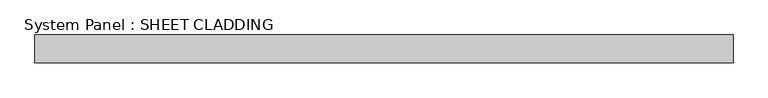
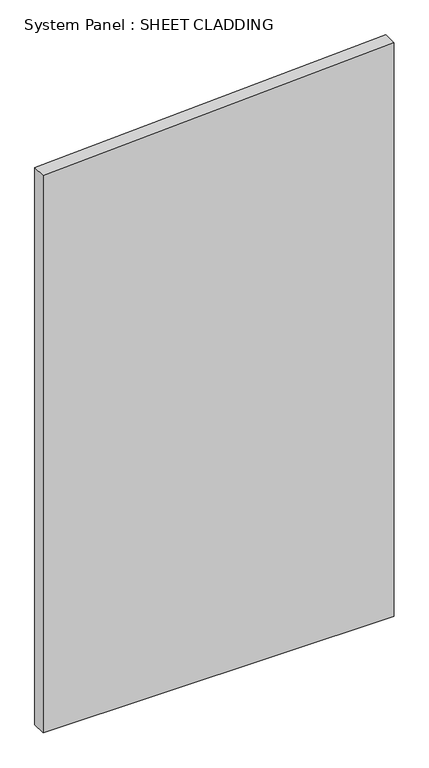
"""IFC4 building model written with IfcOpenShell, lengths in millimetres: plate geometry, System Panel : SHEET CLADDING."""

from ifc_helpers import new_model, si_unit, frame, origin, place, context, project, spatial, polyline, outline, extrude, source, transform, mapped, element, save


def system_panel_sheet_cladding_8c1dbbdf(model_context):
    return source(origin(), model_context, "Body", "SweptSolid", [
        extrude(outline(polyline([(0.0, -750.0), (0.0, 750.0), (2590.0, 750.0), (2515.0, -750.0), (0.0, -750.0)])), frame((0.0, -10.5, 0.0), z_axis=(0.0, 1.0, 0.0), x_axis=(0.0, 0.0, 1.0)), (0.0, 0.0, 1.0), 60.0),
    ])


if __name__ == "__main__":
    model = new_model("IFC4")
    model_context = context("Model", 3, world=origin())
    ifc_project = project(units=[si_unit("LENGTHUNIT", "METRE", prefix="MILLI")], contexts=[model_context])
    site = spatial("IfcSite", under=ifc_project)
    building = spatial("IfcBuilding", under=site)
    placement = place(None, origin())
    system_panel_sheet_cladding_shape = system_panel_sheet_cladding_8c1dbbdf(model_context)
    element("IfcPlate", 1, ObjectType="System Panel : SHEET CLADDING", at=placement, inside=building, context=model_context, shape_type="MappedRepresentation", body=[
        mapped(system_panel_sheet_cladding_shape, transform((0.0, 0.0, 0.0), x_axis=(1.0, 0.0, 0.0), y_axis=(0.0, 1.0, 0.0), z_axis=(0.0, 0.0, 1.0))),
    ])
    save(model, "model.ifc")
